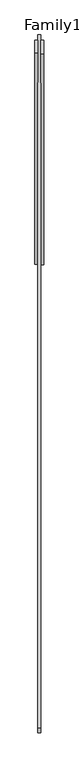
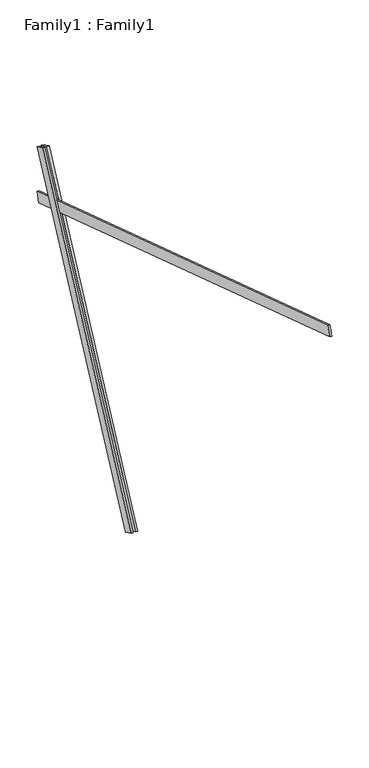
"""IFC4 building model written with IfcOpenShell, lengths in millimetres: proxy geometry, Family1 : Family1."""

from ifc_helpers import new_model, si_unit, frame, origin, place, context, project, spatial, polyline, outline, extrude, source, transform, mapped, element, save


def family1_family1_d224f218(model_context):
    return source(origin(), model_context, "Body", "SweptSolid", [
        extrude(outline(polyline([(0.0, 0.0), (0.0, -20.0), (-100.0000001, -20.0), (-100.0000001, 0.0), (0.0, 0.0)])), frame((-30.0, 46.3241747, -22.5938096), z_axis=(0.0, 0.4383711467890692, 0.8987940462991711), x_axis=(0.0, 0.8987940462991711, -0.4383711467890692)), (0.0, 0.0, 1.0), 3300.0),
        extrude(outline(polyline([(0.0, 0.0), (0.0, -20.0), (-99.9999999, -20.0), (-99.9999999, 0.0), (0.0, 0.0)])), frame((10.0, 45.270232, -22.0797674), z_axis=(0.0, 0.4383711467890692, 0.8987940462991711), x_axis=(0.0, 0.8987940462991711, -0.4383711467890692)), (0.0, 0.0, 1.0), 3300.0),
        extrude(outline(polyline([(0.0, -20.0), (0.0, 0.0), (5000.0, 0.0), (5000.0, -20.0), (0.0, -20.0)])), frame((-10.0, -3256.3247611, 3920.9134462), z_axis=(0.0, 0.3090169943749495, 0.9510565162951529), x_axis=(0.0, 0.9510565162951529, -0.3090169943749495)), (0.0, 0.0, 1.0), 100.0),
    ])


if __name__ == "__main__":
    model = new_model("IFC4")
    model_context = context("Model", 3, world=origin())
    ifc_project = project(units=[si_unit("LENGTHUNIT", "METRE", prefix="MILLI")], contexts=[model_context])
    site = spatial("IfcSite", under=ifc_project)
    building = spatial("IfcBuilding", under=site)
    placement = place(None, origin())
    family1_family1_shape = family1_family1_d224f218(model_context)
    element("IfcBuildingElementProxy", 1, Name="Family1 : Family1", ObjectType="Family1 : Family1", at=placement, inside=building, context=model_context, shape_type="MappedRepresentation", body=[
        mapped(family1_family1_shape, transform((0.0, 0.0, 0.0), x_axis=(1.0, 0.0, 0.0), y_axis=(0.0, 1.0, 0.0), z_axis=(0.0, 0.0, 1.0))),
    ])
    save(model, "model.ifc")
